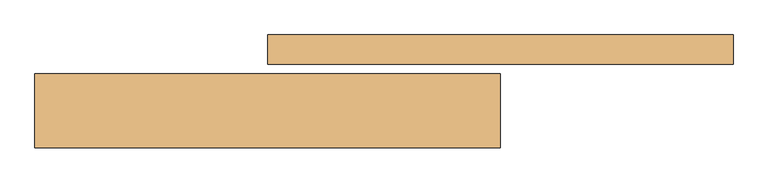
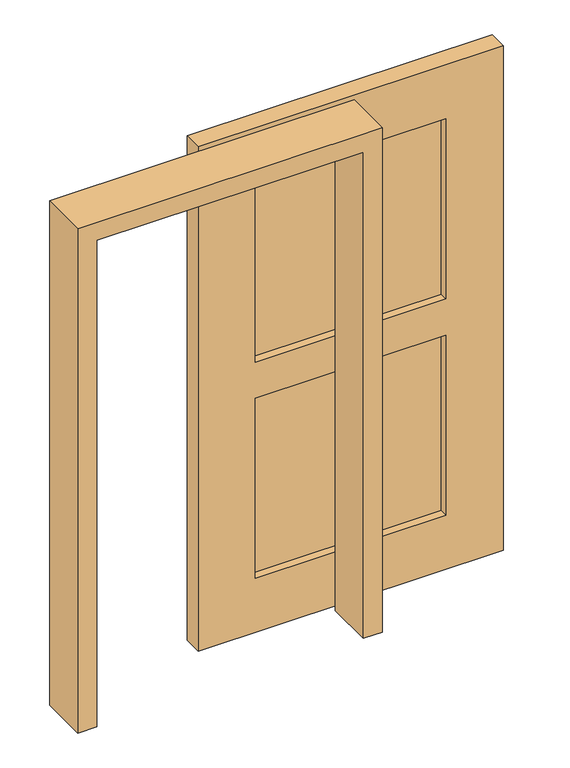
"""IFC4 building model written with IfcOpenShell, lengths in millimetres: door geometry."""

from ifc_helpers import new_model, si_unit, frame, origin, place, context, project, spatial, polyline, outline, extrude, source, transform, mapped, element, save


def door_0cdb78d3(model_context):
    return source(origin(), model_context, "Body", "SweptSolid", [
        extrude(outline(polyline([(990.6, 155.0876379), (228.6, 155.0876379), (228.6, 165.5873621), (990.6, 165.5873621), (990.6, 155.0876379)])), frame((0.0, 0.0, 1143.0), z_axis=(0.0, 0.0, 1.0), x_axis=(1.0, 0.0, 0.0)), (0.0, 0.0, 1.0), 762.0),
        extrude(outline(polyline([(990.6, 155.0876379), (228.6, 155.0876379), (228.6, 165.5873621), (990.6, 165.5873621), (990.6, 155.0876379)])), frame((0.0, 0.0, 228.6), z_axis=(0.0, 0.0, 1.0), x_axis=(1.0, 0.0, 0.0)), (0.0, 0.0, 1.0), 762.0),
        extrude(outline(polyline([(0.0, 1219.1773827), (2133.6, 1219.1773827), (2133.6, 0.0), (0.0, 0.0), (0.0, 1219.1773827)]), holes=[polyline([(228.6, 228.6), (990.6, 228.6), (990.6, 990.6), (228.6, 990.6), (228.6, 228.6)]), polyline([(1905.0, 228.6), (1905.0, 990.6), (1143.0, 990.6), (1143.0, 228.6), (1905.0, 228.6)])]), frame((0.0, 122.2375, 0.0), z_axis=(0.0, 1.0, 0.0), x_axis=(0.0, 0.0, 1.0)), (0.0, 0.0, 1.0), 76.2),
        extrude(outline(polyline([(2057.4, -533.4), (2057.4, 533.4), (0.0, 533.4), (0.0, 609.6), (2133.6, 609.6), (2133.6, -609.6), (0.0, -609.6), (0.0, -533.4), (2057.4, -533.4)])), frame((0.0, -96.8375, 0.0), z_axis=(0.0, 1.0, 0.0), x_axis=(0.0, 0.0, 1.0)), (0.0, 0.0, 1.0), 193.675),
    ])


if __name__ == "__main__":
    model = new_model("IFC4")
    model_context = context("Model", 3, world=origin())
    ifc_project = project(units=[si_unit("LENGTHUNIT", "METRE", prefix="MILLI")], contexts=[model_context])
    site = spatial("IfcSite", under=ifc_project)
    building = spatial("IfcBuilding", under=site)
    placement = place(None, origin())
    door_shape = door_0cdb78d3(model_context)
    element("IfcDoor", 1, at=placement, inside=building, context=model_context, shape_type="MappedRepresentation", body=[
        mapped(door_shape, transform((0.0, 0.0, 0.0), x_axis=(1.0, 0.0, 0.0), y_axis=(0.0, 1.0, 0.0), z_axis=(0.0, 0.0, 1.0))),
    ])
    save(model, "model.ifc")
